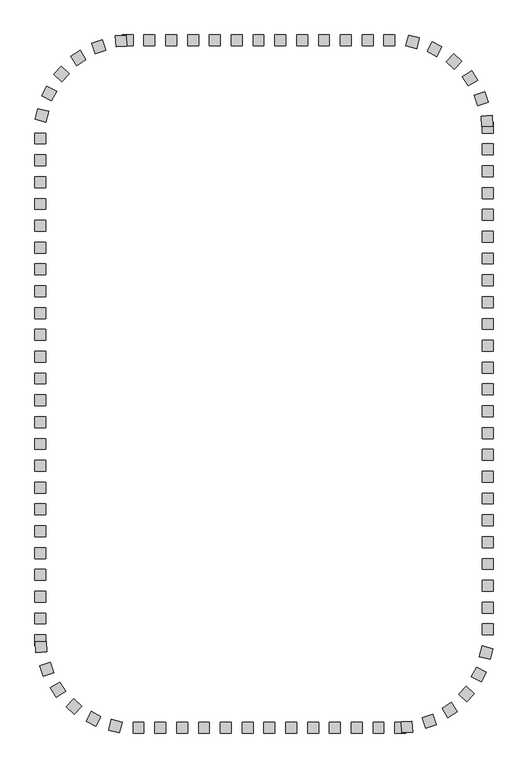
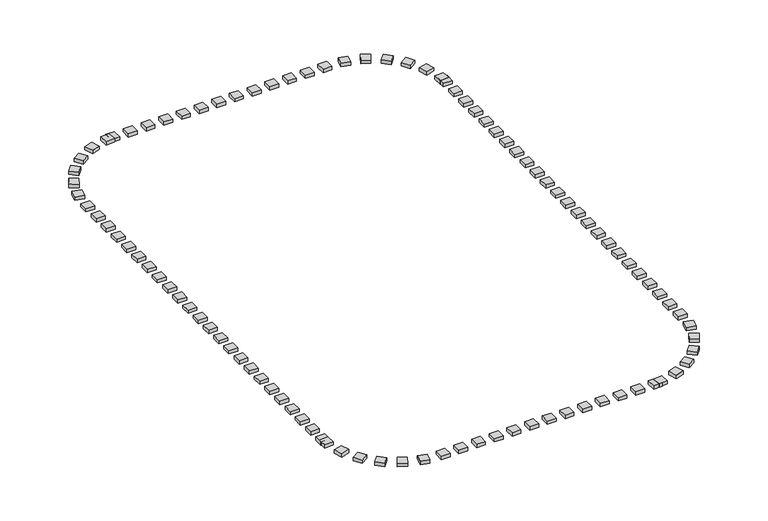
"""IFC4 building model written with IfcOpenShell, lengths in millimetres: railing geometry."""

from ifc_helpers import new_model, si_unit, origin, origin_with_axes, place, context, project, spatial, polyline, outline, extrude, source, transform, mapped, element, save


def railing_02b82d66(model_context):
    return source(origin(), model_context, "Body", "SweptSolid", [
        extrude(outline(polyline([(-34627.5176302, -90245.3396431), (-34627.5176302, -90745.3396431), (-35127.5176302, -90745.3396431), (-35127.5176302, -90245.3396431), (-34627.5176302, -90245.3396431)])), origin_with_axes(), (0.0, 0.0, 1.0), 200.0),
        extrude(outline(polyline([(-35627.5176302, -90245.3396431), (-35627.5176302, -90745.3396431), (-36127.5176302, -90745.3396431), (-36127.5176302, -90245.3396431), (-35627.5176302, -90245.3396431)])), origin_with_axes(), (0.0, 0.0, 1.0), 200.0),
        extrude(outline(polyline([(-36627.5176302, -90245.3396431), (-36627.5176302, -90745.3396431), (-37127.5176302, -90745.3396431), (-37127.5176302, -90245.3396431), (-36627.5176302, -90245.3396431)])), origin_with_axes(), (0.0, 0.0, 1.0), 200.0),
        extrude(outline(polyline([(-37627.5176302, -90245.3396431), (-37627.5176302, -90745.3396431), (-38127.5176302, -90745.3396431), (-38127.5176302, -90245.3396431), (-37627.5176302, -90245.3396431)])), origin_with_axes(), (0.0, 0.0, 1.0), 200.0),
        extrude(outline(polyline([(-38627.5176302, -90245.3396431), (-38627.5176302, -90745.3396431), (-39127.5176302, -90745.3396431), (-39127.5176302, -90245.3396431), (-38627.5176302, -90245.3396431)])), origin_with_axes(), (0.0, 0.0, 1.0), 200.0),
        extrude(outline(polyline([(-39627.5176302, -90245.3396431), (-39627.5176302, -90745.3396431), (-40127.5176302, -90745.3396431), (-40127.5176302, -90245.3396431), (-39627.5176302, -90245.3396431)])), origin_with_axes(), (0.0, 0.0, 1.0), 200.0),
        extrude(outline(polyline([(-40627.5176302, -90245.3396431), (-40627.5176302, -90745.3396431), (-41127.5176302, -90745.3396431), (-41127.5176302, -90245.3396431), (-40627.5176302, -90245.3396431)])), origin_with_axes(), (0.0, 0.0, 1.0), 200.0),
        extrude(outline(polyline([(-41627.5176302, -90245.3396431), (-41627.5176302, -90745.3396431), (-42127.5176302, -90745.3396431), (-42127.5176302, -90245.3396431), (-41627.5176302, -90245.3396431)])), origin_with_axes(), (0.0, 0.0, 1.0), 200.0),
        extrude(outline(polyline([(-42627.5176302, -90245.3396431), (-42627.5176302, -90745.3396431), (-43127.5176302, -90745.3396431), (-43127.5176302, -90245.3396431), (-42627.5176302, -90245.3396431)])), origin_with_axes(), (0.0, 0.0, 1.0), 200.0),
        extrude(outline(polyline([(-43627.5176302, -90245.3396431), (-43627.5176302, -90745.3396431), (-44127.5176302, -90745.3396431), (-44127.5176302, -90245.3396431), (-43627.5176302, -90245.3396431)])), origin_with_axes(), (0.0, 0.0, 1.0), 200.0),
        extrude(outline(polyline([(-44627.5176302, -90245.3396431), (-44627.5176302, -90745.3396431), (-45127.5176302, -90745.3396431), (-45127.5176302, -90245.3396431), (-44627.5176302, -90245.3396431)])), origin_with_axes(), (0.0, 0.0, 1.0), 200.0),
        extrude(outline(polyline([(-45945.8350377, -90256.6122034), (-45910.4664368, -90755.3596967), (-46409.2139301, -90790.7282975), (-46444.582531, -90291.9808042), (-45945.8350377, -90256.6122034)])), origin_with_axes(), (0.0, 0.0, 1.0), 200.0),
        extrude(outline(polyline([(-47046.4682609, -90474.908856), (-46888.8070797, -90949.4011657), (-47363.2993894, -91107.0623469), (-47520.9605706, -90632.5700372), (-47046.4682609, -90474.908856)])), origin_with_axes(), (0.0, 0.0, 1.0), 200.0),
        extrude(outline(polyline([(-48058.8780066, -90958.7202115), (-47788.7268536, -91379.4557039), (-48209.462346, -91649.6068568), (-48479.613499, -91228.8713644), (-48058.8780066, -90958.7202115)])), origin_with_axes(), (0.0, 0.0, 1.0), 200.0),
        extrude(outline(polyline([(-48920.1175401, -91677.965223), (-48554.2731056, -92018.784603), (-48895.0924857, -92384.6290375), (-49260.9369201, -92043.8096575), (-48920.1175401, -91677.965223)])), origin_with_axes(), (0.0, 0.0, 1.0), 200.0),
        extrude(outline(polyline([(-49576.6391587, -92587.9247194), (-49137.8478777, -92827.6374887), (-49377.560647, -93266.4287697), (-49816.351928, -93026.7160004), (-49576.6391587, -92587.9247194)])), origin_with_axes(), (0.0, 0.0, 1.0), 200.0),
        extrude(outline(polyline([(-49987.6235278, -93632.0218265), (-49503.167317, -93755.7238061), (-49626.8692966, -94240.180017), (-50111.3255075, -94116.4780373), (-49987.6235278, -93632.0218265)])), origin_with_axes(), (0.0, 0.0, 1.0), 200.0),
        extrude(outline(polyline([(-50127.5176302, -95745.3396431), (-49627.5176302, -95745.3396431), (-49627.5176302, -96245.3396431), (-50127.5176302, -96245.3396431), (-50127.5176302, -95745.3396431)])), origin_with_axes(), (0.0, 0.0, 1.0), 200.0),
        extrude(outline(polyline([(-50127.5176302, -96745.3396431), (-49627.5176302, -96745.3396431), (-49627.5176302, -97245.3396431), (-50127.5176302, -97245.3396431), (-50127.5176302, -96745.3396431)])), origin_with_axes(), (0.0, 0.0, 1.0), 200.0),
        extrude(outline(polyline([(-50127.5176302, -97745.3396431), (-49627.5176302, -97745.3396431), (-49627.5176302, -98245.3396431), (-50127.5176302, -98245.3396431), (-50127.5176302, -97745.3396431)])), origin_with_axes(), (0.0, 0.0, 1.0), 200.0),
        extrude(outline(polyline([(-50127.5176302, -98745.3396431), (-49627.5176302, -98745.3396431), (-49627.5176302, -99245.3396431), (-50127.5176302, -99245.3396431), (-50127.5176302, -98745.3396431)])), origin_with_axes(), (0.0, 0.0, 1.0), 200.0),
        extrude(outline(polyline([(-50127.5176302, -99745.3396431), (-49627.5176302, -99745.3396431), (-49627.5176302, -100245.3396431), (-50127.5176302, -100245.3396431), (-50127.5176302, -99745.3396431)])), origin_with_axes(), (0.0, 0.0, 1.0), 200.0),
        extrude(outline(polyline([(-50127.5176302, -100745.3396431), (-49627.5176302, -100745.3396431), (-49627.5176302, -101245.3396431), (-50127.5176302, -101245.3396431), (-50127.5176302, -100745.3396431)])), origin_with_axes(), (0.0, 0.0, 1.0), 200.0),
        extrude(outline(polyline([(-50127.5176302, -101745.3396431), (-49627.5176302, -101745.3396431), (-49627.5176302, -102245.3396431), (-50127.5176302, -102245.3396431), (-50127.5176302, -101745.3396431)])), origin_with_axes(), (0.0, 0.0, 1.0), 200.0),
        extrude(outline(polyline([(-50127.5176302, -102745.3396431), (-49627.5176302, -102745.3396431), (-49627.5176302, -103245.3396431), (-50127.5176302, -103245.3396431), (-50127.5176302, -102745.3396431)])), origin_with_axes(), (0.0, 0.0, 1.0), 200.0),
        extrude(outline(polyline([(-50127.5176302, -103745.3396431), (-49627.5176302, -103745.3396431), (-49627.5176302, -104245.3396431), (-50127.5176302, -104245.3396431), (-50127.5176302, -103745.3396431)])), origin_with_axes(), (0.0, 0.0, 1.0), 200.0),
        extrude(outline(polyline([(-50127.5176302, -104745.3396431), (-49627.5176302, -104745.3396431), (-49627.5176302, -105245.3396431), (-50127.5176302, -105245.3396431), (-50127.5176302, -104745.3396431)])), origin_with_axes(), (0.0, 0.0, 1.0), 200.0),
        extrude(outline(polyline([(-50127.5176302, -105745.3396431), (-49627.5176302, -105745.3396431), (-49627.5176302, -106245.3396431), (-50127.5176302, -106245.3396431), (-50127.5176302, -105745.3396431)])), origin_with_axes(), (0.0, 0.0, 1.0), 200.0),
        extrude(outline(polyline([(-50127.5176302, -106745.3396431), (-49627.5176302, -106745.3396431), (-49627.5176302, -107245.3396431), (-50127.5176302, -107245.3396431), (-50127.5176302, -106745.3396431)])), origin_with_axes(), (0.0, 0.0, 1.0), 200.0),
        extrude(outline(polyline([(-50127.5176302, -107745.3396431), (-49627.5176302, -107745.3396431), (-49627.5176302, -108245.3396431), (-50127.5176302, -108245.3396431), (-50127.5176302, -107745.3396431)])), origin_with_axes(), (0.0, 0.0, 1.0), 200.0),
        extrude(outline(polyline([(-50127.5176302, -108745.3396431), (-49627.5176302, -108745.3396431), (-49627.5176302, -109245.3396431), (-50127.5176302, -109245.3396431), (-50127.5176302, -108745.3396431)])), origin_with_axes(), (0.0, 0.0, 1.0), 200.0),
        extrude(outline(polyline([(-50127.5176302, -109745.3396431), (-49627.5176302, -109745.3396431), (-49627.5176302, -110245.3396431), (-50127.5176302, -110245.3396431), (-50127.5176302, -109745.3396431)])), origin_with_axes(), (0.0, 0.0, 1.0), 200.0),
        extrude(outline(polyline([(-50127.5176302, -110745.3396431), (-49627.5176302, -110745.3396431), (-49627.5176302, -111245.3396431), (-50127.5176302, -111245.3396431), (-50127.5176302, -110745.3396431)])), origin_with_axes(), (0.0, 0.0, 1.0), 200.0),
        extrude(outline(polyline([(-50127.5176302, -111745.3396431), (-49627.5176302, -111745.3396431), (-49627.5176302, -112245.3396431), (-50127.5176302, -112245.3396431), (-50127.5176302, -111745.3396431)])), origin_with_axes(), (0.0, 0.0, 1.0), 200.0),
        extrude(outline(polyline([(-50127.5176302, -112745.3396431), (-49627.5176302, -112745.3396431), (-49627.5176302, -113245.3396431), (-50127.5176302, -113245.3396431), (-50127.5176302, -112745.3396431)])), origin_with_axes(), (0.0, 0.0, 1.0), 200.0),
        extrude(outline(polyline([(-50127.5176302, -113745.3396431), (-49627.5176302, -113745.3396431), (-49627.5176302, -114245.3396431), (-50127.5176302, -114245.3396431), (-50127.5176302, -113745.3396431)])), origin_with_axes(), (0.0, 0.0, 1.0), 200.0),
        extrude(outline(polyline([(-50127.5176302, -114745.3396431), (-49627.5176302, -114745.3396431), (-49627.5176302, -115245.3396431), (-50127.5176302, -115245.3396431), (-50127.5176302, -114745.3396431)])), origin_with_axes(), (0.0, 0.0, 1.0), 200.0),
        extrude(outline(polyline([(-50127.5176302, -115745.3396431), (-49627.5176302, -115745.3396431), (-49627.5176302, -116245.3396431), (-50127.5176302, -116245.3396431), (-50127.5176302, -115745.3396431)])), origin_with_axes(), (0.0, 0.0, 1.0), 200.0),
        extrude(outline(polyline([(-50127.5176302, -116745.3396431), (-49627.5176302, -116745.3396431), (-49627.5176302, -117245.3396431), (-50127.5176302, -117245.3396431), (-50127.5176302, -116745.3396431)])), origin_with_axes(), (0.0, 0.0, 1.0), 200.0),
        extrude(outline(polyline([(-50116.2450699, -118063.6570506), (-49617.4975766, -118028.2884498), (-49582.1289757, -118527.0359431), (-50080.876469, -118562.4045439), (-50116.2450699, -118063.6570506)])), origin_with_axes(), (0.0, 0.0, 1.0), 200.0),
        extrude(outline(polyline([(-49897.9484173, -119164.2902739), (-49423.4561076, -119006.6290927), (-49265.7949264, -119481.1214024), (-49740.2872361, -119638.7825836), (-49897.9484173, -119164.2902739)])), origin_with_axes(), (0.0, 0.0, 1.0), 200.0),
        extrude(outline(polyline([(-49414.1370618, -120176.7000195), (-48993.4015694, -119906.5488666), (-48723.2504164, -120327.284359), (-49143.9859089, -120597.4355119), (-49414.1370618, -120176.7000195)])), origin_with_axes(), (0.0, 0.0, 1.0), 200.0),
        extrude(outline(polyline([(-48694.8920503, -121037.9395531), (-48354.0726702, -120672.0951186), (-47988.2282358, -121012.9144986), (-48329.0476158, -121378.7589331), (-48694.8920503, -121037.9395531)])), origin_with_axes(), (0.0, 0.0, 1.0), 200.0),
        extrude(outline(polyline([(-47784.9325539, -121694.4611716), (-47545.2197846, -121255.6698907), (-47106.4285036, -121495.38266), (-47346.1412729, -121934.1739409), (-47784.9325539, -121694.4611716)])), origin_with_axes(), (0.0, 0.0, 1.0), 200.0),
        extrude(outline(polyline([(-46740.8354468, -122105.4455408), (-46617.1334672, -121620.98933), (-46132.6772563, -121744.6913096), (-46256.3792359, -122229.1475205), (-46740.8354468, -122105.4455408)])), origin_with_axes(), (0.0, 0.0, 1.0), 200.0),
        extrude(outline(polyline([(-44627.5176302, -122245.3396431), (-44627.5176302, -121745.3396431), (-44127.5176302, -121745.3396431), (-44127.5176302, -122245.3396431), (-44627.5176302, -122245.3396431)])), origin_with_axes(), (0.0, 0.0, 1.0), 200.0),
        extrude(outline(polyline([(-43627.5176302, -122245.3396431), (-43627.5176302, -121745.3396431), (-43127.5176302, -121745.3396431), (-43127.5176302, -122245.3396431), (-43627.5176302, -122245.3396431)])), origin_with_axes(), (0.0, 0.0, 1.0), 200.0),
        extrude(outline(polyline([(-42627.5176302, -122245.3396431), (-42627.5176302, -121745.3396431), (-42127.5176302, -121745.3396431), (-42127.5176302, -122245.3396431), (-42627.5176302, -122245.3396431)])), origin_with_axes(), (0.0, 0.0, 1.0), 200.0),
        extrude(outline(polyline([(-41627.5176302, -122245.3396431), (-41627.5176302, -121745.3396431), (-41127.5176302, -121745.3396431), (-41127.5176302, -122245.3396431), (-41627.5176302, -122245.3396431)])), origin_with_axes(), (0.0, 0.0, 1.0), 200.0),
        extrude(outline(polyline([(-40627.5176302, -122245.3396431), (-40627.5176302, -121745.3396431), (-40127.5176302, -121745.3396431), (-40127.5176302, -122245.3396431), (-40627.5176302, -122245.3396431)])), origin_with_axes(), (0.0, 0.0, 1.0), 200.0),
        extrude(outline(polyline([(-39627.5176302, -122245.3396431), (-39627.5176302, -121745.3396431), (-39127.5176302, -121745.3396431), (-39127.5176302, -122245.3396431), (-39627.5176302, -122245.3396431)])), origin_with_axes(), (0.0, 0.0, 1.0), 200.0),
        extrude(outline(polyline([(-38627.5176302, -122245.3396431), (-38627.5176302, -121745.3396431), (-38127.5176302, -121745.3396431), (-38127.5176302, -122245.3396431), (-38627.5176302, -122245.3396431)])), origin_with_axes(), (0.0, 0.0, 1.0), 200.0),
        extrude(outline(polyline([(-37627.5176302, -122245.3396431), (-37627.5176302, -121745.3396431), (-37127.5176302, -121745.3396431), (-37127.5176302, -122245.3396431), (-37627.5176302, -122245.3396431)])), origin_with_axes(), (0.0, 0.0, 1.0), 200.0),
        extrude(outline(polyline([(-36627.5176302, -122245.3396431), (-36627.5176302, -121745.3396431), (-36127.5176302, -121745.3396431), (-36127.5176302, -122245.3396431), (-36627.5176302, -122245.3396431)])), origin_with_axes(), (0.0, 0.0, 1.0), 200.0),
        extrude(outline(polyline([(-35627.5176302, -122245.3396431), (-35627.5176302, -121745.3396431), (-35127.5176302, -121745.3396431), (-35127.5176302, -122245.3396431), (-35627.5176302, -122245.3396431)])), origin_with_axes(), (0.0, 0.0, 1.0), 200.0),
        extrude(outline(polyline([(-34627.5176302, -122245.3396431), (-34627.5176302, -121745.3396431), (-34127.5176302, -121745.3396431), (-34127.5176302, -122245.3396431), (-34627.5176302, -122245.3396431)])), origin_with_axes(), (0.0, 0.0, 1.0), 200.0),
        extrude(outline(polyline([(-33309.2002226, -122234.0670828), (-33344.5688235, -121735.3195895), (-32845.8213302, -121699.9509887), (-32810.4527293, -122198.698482), (-33309.2002226, -122234.0670828)])), origin_with_axes(), (0.0, 0.0, 1.0), 200.0),
        extrude(outline(polyline([(-32208.5669994, -122015.7704302), (-32366.2281806, -121541.2781206), (-31891.7358709, -121383.6169394), (-31734.0746897, -121858.109249), (-32208.5669994, -122015.7704302)])), origin_with_axes(), (0.0, 0.0, 1.0), 200.0),
        extrude(outline(polyline([(-31196.1572537, -121531.9590748), (-31466.3084067, -121111.2235824), (-31045.5729143, -120841.0724294), (-30775.4217613, -121261.8079218), (-31196.1572537, -121531.9590748)])), origin_with_axes(), (0.0, 0.0, 1.0), 200.0),
        extrude(outline(polyline([(-30334.9177202, -120812.7140632), (-30700.7621547, -120471.8946832), (-30359.9427746, -120106.0502488), (-29994.0983402, -120446.8696288), (-30334.9177202, -120812.7140632)])), origin_with_axes(), (0.0, 0.0, 1.0), 200.0),
        extrude(outline(polyline([(-29678.3961016, -119902.7545668), (-30117.1873826, -119663.0417975), (-29877.4746133, -119224.2505166), (-29438.6833323, -119463.9632859), (-29678.3961016, -119902.7545668)])), origin_with_axes(), (0.0, 0.0, 1.0), 200.0),
        extrude(outline(polyline([(-29267.4117325, -118858.6574598), (-29751.8679433, -118734.9554801), (-29628.1659637, -118250.4992693), (-29143.7097528, -118374.2012489), (-29267.4117325, -118858.6574598)])), origin_with_axes(), (0.0, 0.0, 1.0), 200.0),
        extrude(outline(polyline([(-29127.5176302, -116745.3396431), (-29627.5176302, -116745.3396431), (-29627.5176302, -116245.3396431), (-29127.5176302, -116245.3396431), (-29127.5176302, -116745.3396431)])), origin_with_axes(), (0.0, 0.0, 1.0), 200.0),
        extrude(outline(polyline([(-29127.5176302, -115745.3396431), (-29627.5176302, -115745.3396431), (-29627.5176302, -115245.3396431), (-29127.5176302, -115245.3396431), (-29127.5176302, -115745.3396431)])), origin_with_axes(), (0.0, 0.0, 1.0), 200.0),
        extrude(outline(polyline([(-29127.5176302, -114745.3396431), (-29627.5176302, -114745.3396431), (-29627.5176302, -114245.3396431), (-29127.5176302, -114245.3396431), (-29127.5176302, -114745.3396431)])), origin_with_axes(), (0.0, 0.0, 1.0), 200.0),
        extrude(outline(polyline([(-29127.5176302, -113745.3396431), (-29627.5176302, -113745.3396431), (-29627.5176302, -113245.3396431), (-29127.5176302, -113245.3396431), (-29127.5176302, -113745.3396431)])), origin_with_axes(), (0.0, 0.0, 1.0), 200.0),
        extrude(outline(polyline([(-29127.5176302, -112745.3396431), (-29627.5176302, -112745.3396431), (-29627.5176302, -112245.3396431), (-29127.5176302, -112245.3396431), (-29127.5176302, -112745.3396431)])), origin_with_axes(), (0.0, 0.0, 1.0), 200.0),
        extrude(outline(polyline([(-29127.5176302, -111745.3396431), (-29627.5176302, -111745.3396431), (-29627.5176302, -111245.3396431), (-29127.5176302, -111245.3396431), (-29127.5176302, -111745.3396431)])), origin_with_axes(), (0.0, 0.0, 1.0), 200.0),
        extrude(outline(polyline([(-29127.5176302, -110745.3396431), (-29627.5176302, -110745.3396431), (-29627.5176302, -110245.3396431), (-29127.5176302, -110245.3396431), (-29127.5176302, -110745.3396431)])), origin_with_axes(), (0.0, 0.0, 1.0), 200.0),
        extrude(outline(polyline([(-29127.5176302, -109745.3396431), (-29627.5176302, -109745.3396431), (-29627.5176302, -109245.3396431), (-29127.5176302, -109245.3396431), (-29127.5176302, -109745.3396431)])), origin_with_axes(), (0.0, 0.0, 1.0), 200.0),
        extrude(outline(polyline([(-29127.5176302, -108745.3396431), (-29627.5176302, -108745.3396431), (-29627.5176302, -108245.3396431), (-29127.5176302, -108245.3396431), (-29127.5176302, -108745.3396431)])), origin_with_axes(), (0.0, 0.0, 1.0), 200.0),
        extrude(outline(polyline([(-29127.5176302, -107745.3396431), (-29627.5176302, -107745.3396431), (-29627.5176302, -107245.3396431), (-29127.5176302, -107245.3396431), (-29127.5176302, -107745.3396431)])), origin_with_axes(), (0.0, 0.0, 1.0), 200.0),
        extrude(outline(polyline([(-29127.5176302, -106745.3396431), (-29627.5176302, -106745.3396431), (-29627.5176302, -106245.3396431), (-29127.5176302, -106245.3396431), (-29127.5176302, -106745.3396431)])), origin_with_axes(), (0.0, 0.0, 1.0), 200.0),
        extrude(outline(polyline([(-29127.5176302, -105745.3396431), (-29627.5176302, -105745.3396431), (-29627.5176302, -105245.3396431), (-29127.5176302, -105245.3396431), (-29127.5176302, -105745.3396431)])), origin_with_axes(), (0.0, 0.0, 1.0), 200.0),
        extrude(outline(polyline([(-29127.5176302, -104745.3396431), (-29627.5176302, -104745.3396431), (-29627.5176302, -104245.3396431), (-29127.5176302, -104245.3396431), (-29127.5176302, -104745.3396431)])), origin_with_axes(), (0.0, 0.0, 1.0), 200.0),
        extrude(outline(polyline([(-29127.5176302, -103745.3396431), (-29627.5176302, -103745.3396431), (-29627.5176302, -103245.3396431), (-29127.5176302, -103245.3396431), (-29127.5176302, -103745.3396431)])), origin_with_axes(), (0.0, 0.0, 1.0), 200.0),
        extrude(outline(polyline([(-29127.5176302, -102745.3396431), (-29627.5176302, -102745.3396431), (-29627.5176302, -102245.3396431), (-29127.5176302, -102245.3396431), (-29127.5176302, -102745.3396431)])), origin_with_axes(), (0.0, 0.0, 1.0), 200.0),
        extrude(outline(polyline([(-29127.5176302, -101745.3396431), (-29627.5176302, -101745.3396431), (-29627.5176302, -101245.3396431), (-29127.5176302, -101245.3396431), (-29127.5176302, -101745.3396431)])), origin_with_axes(), (0.0, 0.0, 1.0), 200.0),
        extrude(outline(polyline([(-29127.5176302, -100745.3396431), (-29627.5176302, -100745.3396431), (-29627.5176302, -100245.3396431), (-29127.5176302, -100245.3396431), (-29127.5176302, -100745.3396431)])), origin_with_axes(), (0.0, 0.0, 1.0), 200.0),
        extrude(outline(polyline([(-29127.5176302, -99745.3396431), (-29627.5176302, -99745.3396431), (-29627.5176302, -99245.3396431), (-29127.5176302, -99245.3396431), (-29127.5176302, -99745.3396431)])), origin_with_axes(), (0.0, 0.0, 1.0), 200.0),
        extrude(outline(polyline([(-29127.5176302, -98745.3396431), (-29627.5176302, -98745.3396431), (-29627.5176302, -98245.3396431), (-29127.5176302, -98245.3396431), (-29127.5176302, -98745.3396431)])), origin_with_axes(), (0.0, 0.0, 1.0), 200.0),
        extrude(outline(polyline([(-29127.5176302, -97745.3396431), (-29627.5176302, -97745.3396431), (-29627.5176302, -97245.3396431), (-29127.5176302, -97245.3396431), (-29127.5176302, -97745.3396431)])), origin_with_axes(), (0.0, 0.0, 1.0), 200.0),
        extrude(outline(polyline([(-29127.5176302, -96745.3396431), (-29627.5176302, -96745.3396431), (-29627.5176302, -96245.3396431), (-29127.5176302, -96245.3396431), (-29127.5176302, -96745.3396431)])), origin_with_axes(), (0.0, 0.0, 1.0), 200.0),
        extrude(outline(polyline([(-29127.5176302, -95745.3396431), (-29627.5176302, -95745.3396431), (-29627.5176302, -95245.3396431), (-29127.5176302, -95245.3396431), (-29127.5176302, -95745.3396431)])), origin_with_axes(), (0.0, 0.0, 1.0), 200.0),
        extrude(outline(polyline([(-29138.7901904, -94427.0222356), (-29637.5376837, -94462.3908365), (-29672.9062846, -93963.6433432), (-29174.1587913, -93928.2747423), (-29138.7901904, -94427.0222356)])), origin_with_axes(), (0.0, 0.0, 1.0), 200.0),
        extrude(outline(polyline([(-29357.0868431, -93326.3890124), (-29831.5791527, -93484.0501935), (-29989.2403339, -93009.5578839), (-29514.7480242, -92851.8967027), (-29357.0868431, -93326.3890124)])), origin_with_axes(), (0.0, 0.0, 1.0), 200.0),
        extrude(outline(polyline([(-29840.8981985, -92313.9792667), (-30261.6336909, -92584.1304197), (-30531.7848439, -92163.3949273), (-30111.0493514, -91893.2437743), (-29840.8981985, -92313.9792667)])), origin_with_axes(), (0.0, 0.0, 1.0), 200.0),
        extrude(outline(polyline([(-30560.14321, -91452.7397332), (-30900.9625901, -91818.5841676), (-31266.8070245, -91477.7647876), (-30925.9876445, -91111.9203532), (-30560.14321, -91452.7397332)])), origin_with_axes(), (0.0, 0.0, 1.0), 200.0),
        extrude(outline(polyline([(-31470.1027064, -90796.2181146), (-31709.8154757, -91235.0093956), (-32148.6067567, -90995.2966263), (-31908.8939874, -90556.5053453), (-31470.1027064, -90796.2181146)])), origin_with_axes(), (0.0, 0.0, 1.0), 200.0),
        extrude(outline(polyline([(-32514.1998135, -90385.2337454), (-32637.9017931, -90869.6899563), (-33122.358004, -90745.9879767), (-32998.6560244, -90261.5317658), (-32514.1998135, -90385.2337454)])), origin_with_axes(), (0.0, 0.0, 1.0), 200.0),
        extrude(outline(polyline([(-33627.5176302, -90245.3396431), (-33627.5176302, -90745.3396431), (-34127.5176302, -90745.3396431), (-34127.5176302, -90245.3396431), (-33627.5176302, -90245.3396431)])), origin_with_axes(), (0.0, 0.0, 1.0), 200.0),
        extrude(outline(polyline([(-45627.5176302, -90245.3396431), (-45627.5176302, -90745.3396431), (-46127.5176302, -90745.3396431), (-46127.5176302, -90245.3396431), (-45627.5176302, -90245.3396431)])), origin_with_axes(), (0.0, 0.0, 1.0), 200.0),
        extrude(outline(polyline([(-50127.5176302, -94745.3396431), (-49627.5176302, -94745.3396431), (-49627.5176302, -95245.3396431), (-50127.5176302, -95245.3396431), (-50127.5176302, -94745.3396431)])), origin_with_axes(), (0.0, 0.0, 1.0), 200.0),
        extrude(outline(polyline([(-50127.5176302, -117745.3396431), (-49627.5176302, -117745.3396431), (-49627.5176302, -118245.3396431), (-50127.5176302, -118245.3396431), (-50127.5176302, -117745.3396431)])), origin_with_axes(), (0.0, 0.0, 1.0), 200.0),
        extrude(outline(polyline([(-45627.5176302, -122245.3396431), (-45627.5176302, -121745.3396431), (-45127.5176302, -121745.3396431), (-45127.5176302, -122245.3396431), (-45627.5176302, -122245.3396431)])), origin_with_axes(), (0.0, 0.0, 1.0), 200.0),
        extrude(outline(polyline([(-33627.5176302, -122245.3396431), (-33627.5176302, -121745.3396431), (-33127.5176302, -121745.3396431), (-33127.5176302, -122245.3396431), (-33627.5176302, -122245.3396431)])), origin_with_axes(), (0.0, 0.0, 1.0), 200.0),
        extrude(outline(polyline([(-29127.5176302, -117745.3396431), (-29627.5176302, -117745.3396431), (-29627.5176302, -117245.3396431), (-29127.5176302, -117245.3396431), (-29127.5176302, -117745.3396431)])), origin_with_axes(), (0.0, 0.0, 1.0), 200.0),
        extrude(outline(polyline([(-29127.5176302, -94745.3396431), (-29627.5176302, -94745.3396431), (-29627.5176302, -94245.3396431), (-29127.5176302, -94245.3396431), (-29127.5176302, -94745.3396431)])), origin_with_axes(), (0.0, 0.0, 1.0), 200.0),
    ])


if __name__ == "__main__":
    model = new_model("IFC4")
    model_context = context("Model", 3, world=origin())
    ifc_project = project(units=[si_unit("LENGTHUNIT", "METRE", prefix="MILLI")], contexts=[model_context])
    site = spatial("IfcSite", under=ifc_project)
    building = spatial("IfcBuilding", under=site)
    placement = place(None, origin())
    railing_shape = railing_02b82d66(model_context)
    element("IfcRailing", 1, at=placement, inside=building, context=model_context, shape_type="MappedRepresentation", body=[
        mapped(railing_shape, transform((0.0, 0.0, 0.0), x_axis=(1.0, 0.0, 0.0), y_axis=(0.0, 1.0, 0.0), z_axis=(0.0, 0.0, 1.0))),
    ])
    save(model, "model.ifc")
